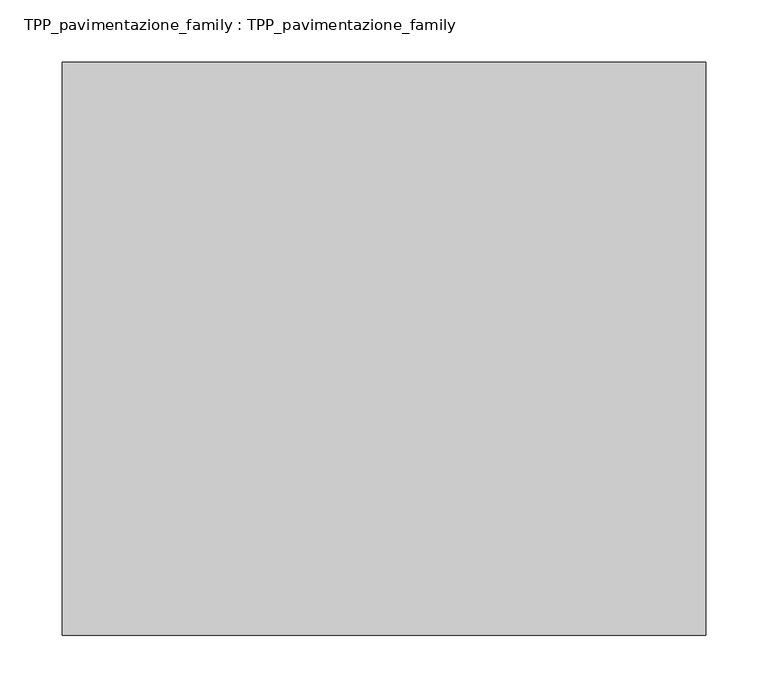
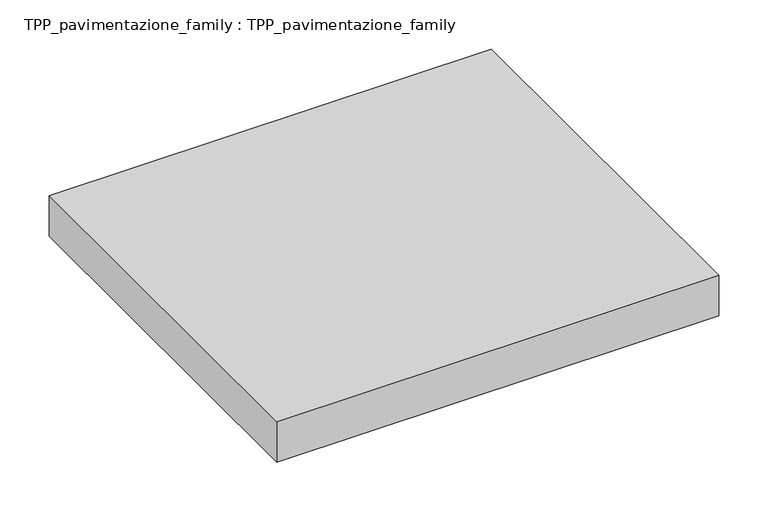
"""IFC4 building model written with IfcOpenShell, lengths in millimetres: proxy geometry, TPP_pavimentazione_family : TPP_pavimentazione_family."""

from ifc_helpers import new_model, si_unit, origin, origin_with_axes, place, context, project, spatial, polyline, outline, extrude, source, transform, mapped, element, save


def tpp_pavimentazione_family_tpp_pavimentazione_family_9d8ae2ae(model_context):
    return source(origin(), model_context, "Body", "SweptSolid", [
        extrude(outline(polyline([(511.8146187, 354.2201026), (511.8146187, -105.0017539), (-3.5852396, -105.0017539), (-3.5852396, 354.2201026), (511.8146187, 354.2201026)])), origin_with_axes(), (0.0, 0.0, 1.0), 50.0),
    ])


if __name__ == "__main__":
    model = new_model("IFC4")
    model_context = context("Model", 3, world=origin())
    ifc_project = project(units=[si_unit("LENGTHUNIT", "METRE", prefix="MILLI")], contexts=[model_context])
    site = spatial("IfcSite", under=ifc_project)
    building = spatial("IfcBuilding", under=site)
    placement = place(None, origin())
    tpp_pavimentazione_family_tpp_pavimentazione_family_shape = tpp_pavimentazione_family_tpp_pavimentazione_family_9d8ae2ae(model_context)
    element("IfcBuildingElementProxy", 1, Name="TPP_pavimentazione_family : TPP_pavimentazione_family", ObjectType="TPP_pavimentazione_family : TPP_pavimentazione_family", at=placement, inside=building, context=model_context, shape_type="MappedRepresentation", body=[
        mapped(tpp_pavimentazione_family_tpp_pavimentazione_family_shape, transform((0.0, 0.0, 0.0), x_axis=(1.0, 0.0, 0.0), y_axis=(0.0, 1.0, 0.0), z_axis=(0.0, 0.0, 1.0))),
    ])
    save(model, "model.ifc")
